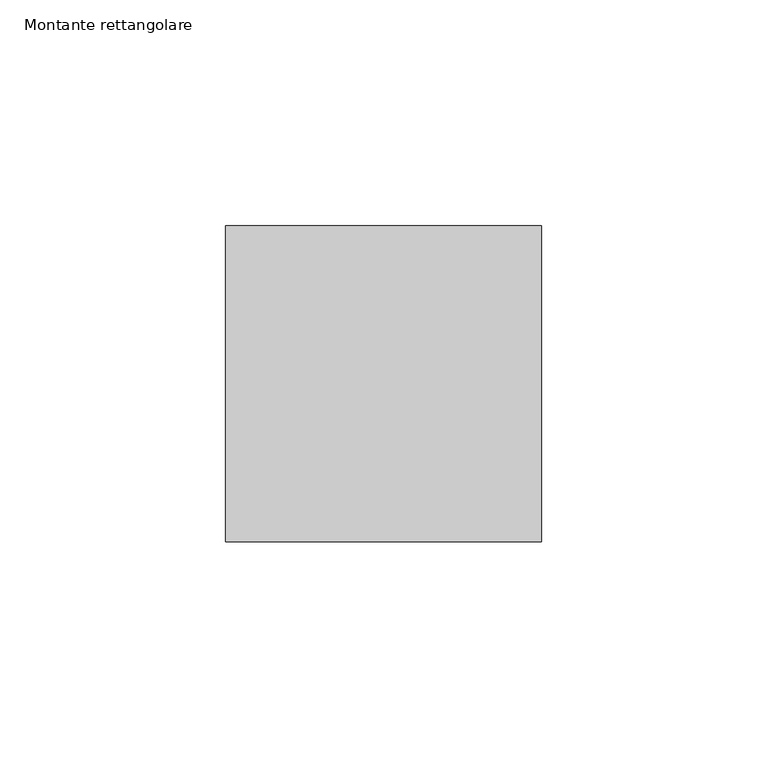
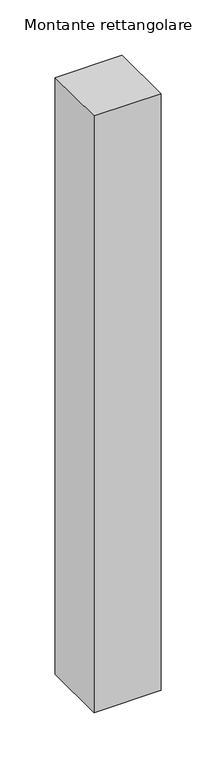
"""IFC4 building model written with IfcOpenShell, lengths in millimetres: member geometry, Montante rettangolare."""

from ifc_helpers import new_model, si_unit, frame, origin, place, context, project, spatial, polyline, outline, extrude, source, transform, mapped, element, save


def montante_rettangolare_cc7d7843(model_context):
    return source(origin(), model_context, "Body", "SweptSolid", [
        extrude(outline(polyline([(35.0, 35.0), (35.0, -35.0), (-35.0, -35.0), (-35.0, 35.0), (35.0, 35.0)])), frame((0.0, 0.0, -658.6928046), z_axis=(0.0, 0.0, 1.0), x_axis=(1.0, 0.0, 0.0)), (0.0, 0.0, 1.0), 658.6928046),
    ])


if __name__ == "__main__":
    model = new_model("IFC4")
    model_context = context("Model", 3, world=origin())
    ifc_project = project(units=[si_unit("LENGTHUNIT", "METRE", prefix="MILLI")], contexts=[model_context])
    site = spatial("IfcSite", under=ifc_project)
    building = spatial("IfcBuilding", under=site)
    placement = place(None, origin())
    montante_rettangolare_shape = montante_rettangolare_cc7d7843(model_context)
    element("IfcMember", 1, ObjectType="Montante rettangolare", at=placement, inside=building, context=model_context, shape_type="MappedRepresentation", body=[
        mapped(montante_rettangolare_shape, transform((0.0, 0.0, 0.0), x_axis=(1.0, 0.0, 0.0), y_axis=(0.0, 1.0, 0.0), z_axis=(0.0, 0.0, 1.0))),
    ])
    save(model, "model.ifc")
